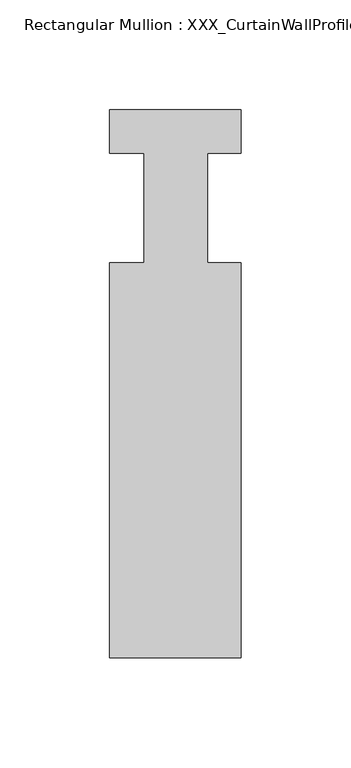
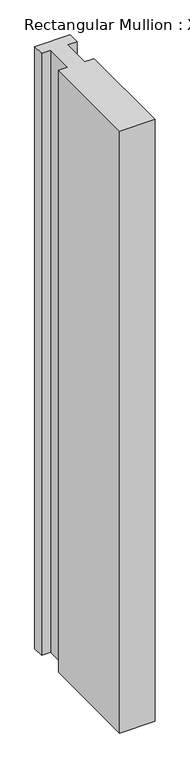
"""IFC4 building model written with IfcOpenShell, lengths in millimetres: member geometry, Rectangular Mullion : XXX_CurtainWallProfile_Ext_VerticalMullion-60x170mm."""

from ifc_helpers import new_model, si_unit, frame, origin, place, context, project, spatial, polyline, outline, extrude, source, transform, mapped, element, save


def rectangular_mullion_xxx_curtainwallprofile_ext_fc42bb46(model_context):
    return source(origin(), model_context, "Body", "SweptSolid", [
        extrude(outline(polyline([(-29.9876684, 9.6099719), (29.9876684, 9.6099719), (29.9876684, -10.2206981), (14.6749051, -10.2206981), (14.6749051, -60.2206981), (29.9876684, -60.2206981), (29.9876684, -240.2206971), (-29.9876684, -240.2206971), (-29.9876684, -60.2206981), (-14.1752684, -60.2206981), (-14.1752684, -10.2206981), (-29.9876684, -10.2206981), (-29.9876684, 9.6099719)])), frame((0.0, 0.0, -1080.0493265), z_axis=(0.0, 0.0, 1.0), x_axis=(1.0, 0.0, 0.0)), (0.0, 0.0, 1.0), 1080.0493265),
    ])


if __name__ == "__main__":
    model = new_model("IFC4")
    model_context = context("Model", 3, world=origin())
    ifc_project = project(units=[si_unit("LENGTHUNIT", "METRE", prefix="MILLI")], contexts=[model_context])
    site = spatial("IfcSite", under=ifc_project)
    building = spatial("IfcBuilding", under=site)
    placement = place(None, origin())
    rectangular_mullion_xxx_curtainwallprofile_ext_shape = rectangular_mullion_xxx_curtainwallprofile_ext_fc42bb46(model_context)
    element("IfcMember", 1, ObjectType="Rectangular Mullion : XXX_CurtainWallProfile_Ext_VerticalMullion-60x170mm", at=placement, inside=building, context=model_context, shape_type="MappedRepresentation", body=[
        mapped(rectangular_mullion_xxx_curtainwallprofile_ext_shape, transform((0.0, 0.0, 0.0), x_axis=(1.0, 0.0, 0.0), y_axis=(0.0, 1.0, 0.0), z_axis=(0.0, 0.0, 1.0))),
    ])
    save(model, "model.ifc")
